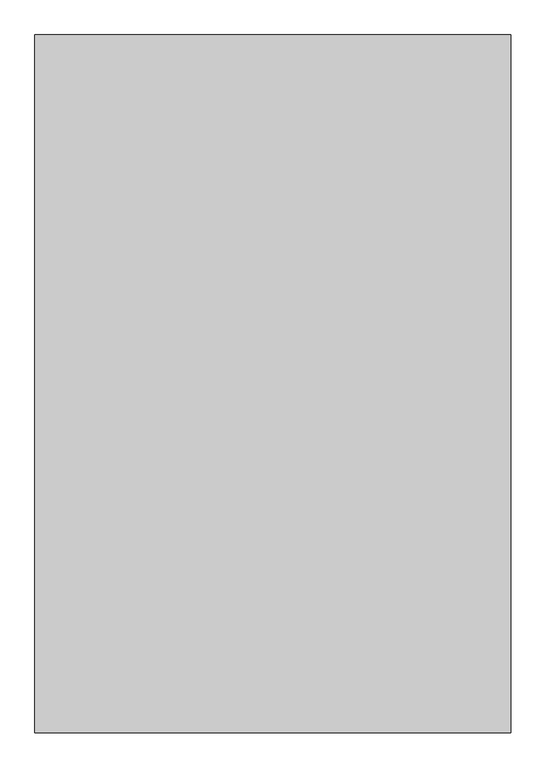
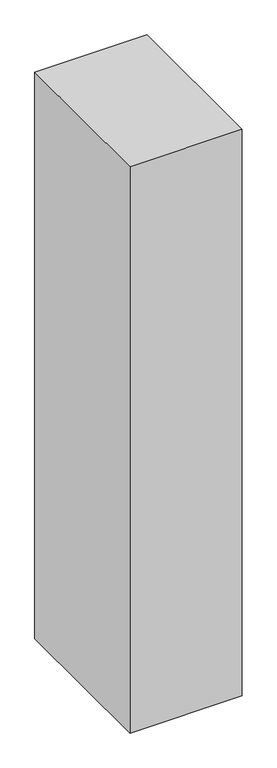
"""IFC4 building model written with IfcOpenShell, lengths in millimetres: proxy geometry."""

from ifc_helpers import new_model, si_unit, frame, origin, place, context, project, spatial, polyline, outline, extrude, source, transform, mapped, element, save


def generic_models_6f1e893b(model_context):
    return source(origin(), model_context, "Body", "SweptSolid", [
        extrude(outline(polyline([(1500.0, -1790.3998032), (0.0, -1790.3998032), (0.0, 409.6001968), (1500.0, 409.6001968), (1500.0, -1790.3998032)])), frame((0.0, 0.0, 1500.0), z_axis=(0.0, 0.0, 1.0), x_axis=(1.0, 0.0, 0.0)), (0.0, 0.0, 1.0), 8000.0),
    ])


if __name__ == "__main__":
    model = new_model("IFC4")
    model_context = context("Model", 3, world=origin())
    ifc_project = project(units=[si_unit("LENGTHUNIT", "METRE", prefix="MILLI")], contexts=[model_context])
    site = spatial("IfcSite", under=ifc_project)
    building = spatial("IfcBuilding", under=site)
    placement = place(None, origin())
    generic_models_shape = generic_models_6f1e893b(model_context)
    element("IfcBuildingElementProxy", 1, Name="Generic Models", at=placement, inside=building, context=model_context, shape_type="MappedRepresentation", body=[
        mapped(generic_models_shape, transform((0.0, 0.0, 0.0), x_axis=(1.0, 0.0, 0.0), y_axis=(0.0, 1.0, 0.0), z_axis=(0.0, 0.0, 1.0))),
    ])
    save(model, "model.ifc")
